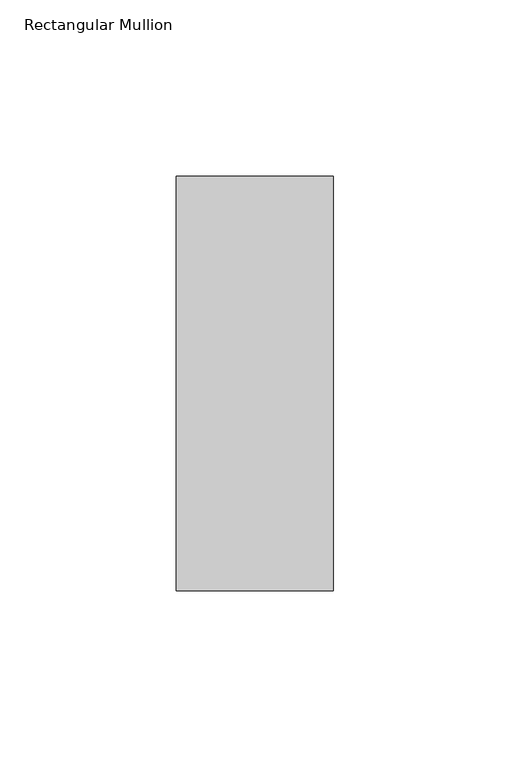
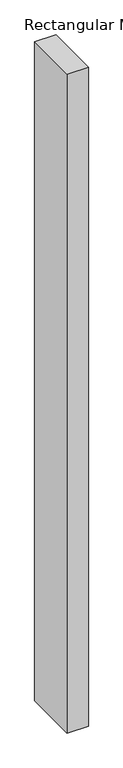
"""IFC4 building model written with IfcOpenShell, lengths in millimetres: member geometry, Rectangular Mullion."""

from ifc_helpers import new_model, si_unit, frame, origin, place, context, project, spatial, polyline, outline, extrude, source, transform, mapped, element, save


def rectangular_mullion_1ee332da(model_context):
    return source(origin(), model_context, "Body", "SweptSolid", [
        extrude(outline(polyline([(-44.45, 59.5583935), (0.0, 59.5583935), (0.0, -57.9084454), (-44.45, -57.9084454), (-44.45, 59.5583935)])), frame((0.0, 0.0, -1457.3392248), z_axis=(0.0, 0.0, 1.0), x_axis=(1.0, 0.0, 0.0)), (0.0, 0.0, 1.0), 1457.3392248),
    ])


if __name__ == "__main__":
    model = new_model("IFC4")
    model_context = context("Model", 3, world=origin())
    ifc_project = project(units=[si_unit("LENGTHUNIT", "METRE", prefix="MILLI")], contexts=[model_context])
    site = spatial("IfcSite", under=ifc_project)
    building = spatial("IfcBuilding", under=site)
    placement = place(None, origin())
    rectangular_mullion_shape = rectangular_mullion_1ee332da(model_context)
    element("IfcMember", 1, ObjectType="Rectangular Mullion", at=placement, inside=building, context=model_context, shape_type="MappedRepresentation", body=[
        mapped(rectangular_mullion_shape, transform((0.0, 0.0, 0.0), x_axis=(1.0, 0.0, 0.0), y_axis=(0.0, 1.0, 0.0), z_axis=(0.0, 0.0, 1.0))),
    ])
    save(model, "model.ifc")
